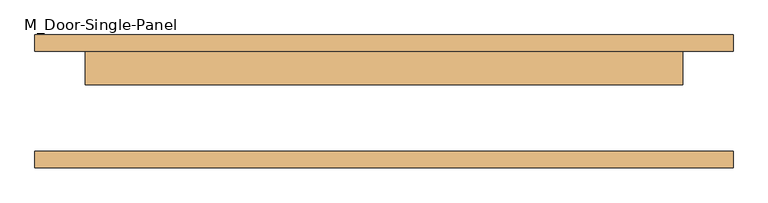
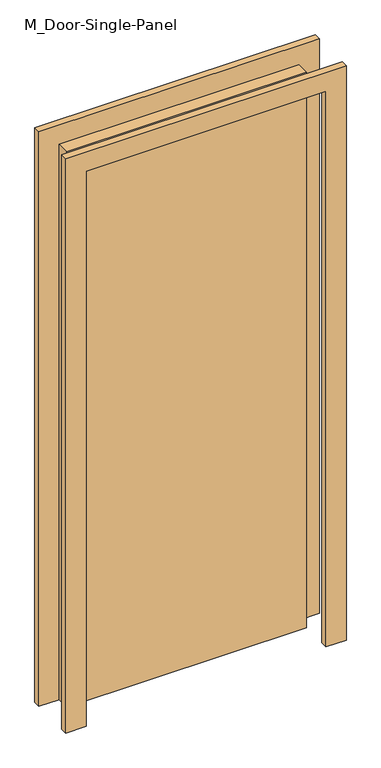
"""IFC4 building model written with IfcOpenShell, lengths in millimetres: door geometry, M_Door-Single-Panel."""

from ifc_helpers import new_model, si_unit, frame, origin, origin_with_axes, place, context, project, spatial, polyline, outline, extrude, source, transform, mapped, element, save


def m_door_single_panel_d3cbb514(model_context):
    return source(origin(), model_context, "Body", "SweptSolid", [
        extrude(outline(polyline([(450.0, 25.0), (-450.0, 25.0), (-450.0, 75.0), (450.0, 75.0), (450.0, 25.0)])), origin_with_axes(), (0.0, 0.0, 1.0), 2200.0),
        extrude(outline(polyline([(2276.2, -526.2), (0.0, -526.2), (0.0, -450.0), (2200.0, -450.0), (2200.0, 450.0), (0.0, 450.0), (0.0, 526.2), (2276.2, 526.2), (2276.2, -526.2)])), frame((0.0, 75.0, 0.0), z_axis=(0.0, 1.0, 0.0), x_axis=(0.0, 0.0, 1.0)), (0.0, 0.0, 1.0), 25.0),
        extrude(outline(polyline([(2276.2, 526.2), (2276.2, -526.2), (0.0, -526.2), (0.0, -450.0), (2200.0, -450.0), (2200.0, 450.0), (0.0, 450.0), (0.0, 526.2), (2276.2, 526.2)])), frame((0.0, -100.0, 0.0), z_axis=(0.0, 1.0, 0.0), x_axis=(0.0, 0.0, 1.0)), (0.0, 0.0, 1.0), 25.0),
    ])


if __name__ == "__main__":
    model = new_model("IFC4")
    model_context = context("Model", 3, world=origin())
    ifc_project = project(units=[si_unit("LENGTHUNIT", "METRE", prefix="MILLI")], contexts=[model_context])
    site = spatial("IfcSite", under=ifc_project)
    building = spatial("IfcBuilding", under=site)
    placement = place(None, origin())
    m_door_single_panel_shape = m_door_single_panel_d3cbb514(model_context)
    element("IfcDoor", 1, ObjectType="M_Door-Single-Panel", at=placement, inside=building, context=model_context, shape_type="MappedRepresentation", body=[
        mapped(m_door_single_panel_shape, transform((0.0, 0.0, 0.0), x_axis=(1.0, 0.0, 0.0), y_axis=(0.0, 1.0, 0.0), z_axis=(0.0, 0.0, 1.0))),
    ])
    save(model, "model.ifc")
